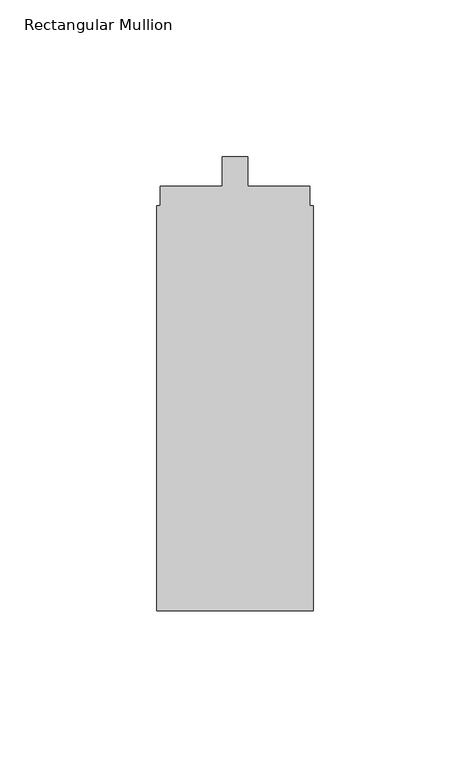
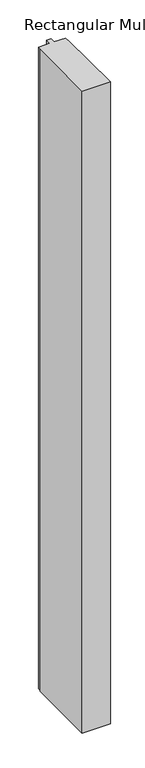
"""IFC4 building model written with IfcOpenShell, lengths in millimetres: member geometry, Rectangular Mullion."""

import ifcopenshell
import ifcopenshell.guid

model = None  # the IFC model being written
_history = None  # IfcOwnerHistory: only IFC2X3 demands one
_inside = {}  # id of a spatial element -> (the spatial element, [elements in it])
_under = {}  # id of a project, library or spatial element -> (it, [spatial elements below it])
_declared = {}  # id of a project -> (the project, [libraries it declares])
_typed = {}  # id of a type object -> (the type object, [elements of that type])
_made_of = {}  # id of a material, layer set ... -> (it, [elements and type objects made of it])


def new_model(schema):
    """Start an empty IFC model of exactly this schema.

    Asked for "IFC4X3", IfcOpenShell would pick the latest addendum, in which some entities
    have other attributes; the version numbers below select the first issue.
    IFC2X3 requires an IfcOwnerHistory on every rooted entity: one is made here for all.
    """
    global model, _history
    if schema == "IFC4X3":
        model = ifcopenshell.file(schema_version=(4, 3, 0, 0))
    else:
        model = ifcopenshell.file(schema=schema)
    _inside.clear()
    _under.clear()
    _declared.clear()
    _typed.clear()
    _made_of.clear()
    _history = None
    if model.schema == "IFC2X3":
        org = make("IfcOrganization", Name="unknown")
        user = make(
            "IfcPersonAndOrganization",
            ThePerson=make("IfcPerson", FamilyName="unknown"),
            TheOrganization=org,
        )
        app = make(
            "IfcApplication",
            ApplicationDeveloper=org,
            Version="unknown",
            ApplicationFullName="unknown",
            ApplicationIdentifier="unknown",
        )
        _history = make(
            "IfcOwnerHistory",
            OwningUser=user,
            OwningApplication=app,
            ChangeAction="ADDED",
            CreationDate=0,
        )
    return model


def make(cls, **values):
    """One entity of the class cls with the attributes given. An attribute that is None is left unset."""
    return model.create_entity(
        cls, **{name: value for name, value in values.items() if value is not None}
    )


def rooted(cls, **values):
    """An entity with a GlobalId (a new one), such as an element, a storey or a relation."""
    return make(cls, GlobalId=ifcopenshell.guid.new(), OwnerHistory=_history, **values)


def si_unit(unit_type, name, prefix=None):
    """IfcSIUnit, for example si_unit("LENGTHUNIT", "METRE", prefix="MILLI")."""
    return make("IfcSIUnit", UnitType=unit_type, Prefix=prefix, Name=name)


def assignment(units):
    """IfcUnitAssignment: the units of a project."""
    return None if units is None else make("IfcUnitAssignment", Units=units)


def point(xyz):
    """IfcCartesianPoint."""
    return None if xyz is None else make("IfcCartesianPoint", Coordinates=xyz)


def direction(xyz):
    """IfcDirection."""
    return None if xyz is None else make("IfcDirection", DirectionRatios=xyz)


def frame(location, z_axis=None, x_axis=None):
    """IfcAxis2Placement3D, a coordinate frame: its origin and axes. An axis left out is left unset."""
    return make(
        "IfcAxis2Placement3D",
        Location=point(location),
        Axis=direction(z_axis),
        RefDirection=direction(x_axis),
    )


def origin():
    """The frame at (0, 0, 0) with its axes left unset."""
    return frame((0.0, 0.0, 0.0))


def place(relative_to, where):
    """IfcLocalPlacement: puts the frame where relative to a parent placement (None: the world)."""
    return make(
        "IfcLocalPlacement", PlacementRelTo=relative_to, RelativePlacement=where
    )


def context(
    kind, dimensions, precision=None, world=None, true_north=None, identifier=None
):
    """IfcGeometricRepresentationContext, for example the 3D "Model" context."""
    return make(
        "IfcGeometricRepresentationContext",
        ContextIdentifier=identifier,
        ContextType=kind,
        CoordinateSpaceDimension=dimensions,
        Precision=precision,
        WorldCoordinateSystem=world,
        TrueNorth=true_north,
    )


def project(units=None, contexts=None):
    """IfcProject with its units and contexts."""
    return rooted(
        "IfcProject",
        Name="project",
        RepresentationContexts=contexts,
        UnitsInContext=assignment(units),
    )


def spatial(cls, under=None, at=None, **own):
    """A site, building, storey or space (cls), placed at a placement, below another one or the project."""
    s = rooted(cls, ObjectPlacement=at, **own)
    if under is not None:
        _under.setdefault(under.id(), (under, []))[1].append(s)
    return s


def polyline(points):
    """IfcPolyline through the points."""
    return make("IfcPolyline", Points=[point(p) for p in points])


def outline(outer, holes=None, kind="AREA"):
    """IfcArbitraryClosedProfileDef: a profile drawn as a closed curve; with holes, ...WithVoids."""
    if holes is None:
        return make("IfcArbitraryClosedProfileDef", ProfileType=kind, OuterCurve=outer)
    return make(
        "IfcArbitraryProfileDefWithVoids",
        ProfileType=kind,
        OuterCurve=outer,
        InnerCurves=holes,
    )


def extrude(swept, where, along, depth):
    """IfcExtrudedAreaSolid: the profile swept, set in the frame where, extruded along a direction by depth."""
    return make(
        "IfcExtrudedAreaSolid",
        SweptArea=swept,
        Position=where,
        ExtrudedDirection=direction(along),
        Depth=depth,
    )


def shape(context_of_items, identifier, shape_type, items):
    """IfcShapeRepresentation: the items that make up one representation, for example the "Body"."""
    return make(
        "IfcShapeRepresentation",
        ContextOfItems=context_of_items,
        RepresentationIdentifier=identifier,
        RepresentationType=shape_type,
        Items=items,
    )


def source(mapping_origin, context_of_items, identifier, shape_type, items):
    """IfcRepresentationMap: a shape defined once, which mapped items show again and again."""
    return make(
        "IfcRepresentationMap",
        MappingOrigin=mapping_origin,
        MappedRepresentation=shape(context_of_items, identifier, shape_type, items),
    )


def transform(
    local_origin,
    x_axis=None,
    y_axis=None,
    z_axis=None,
    scale=None,
    scale2=None,
    scale3=None,
    uniform=True,
):
    """IfcCartesianTransformationOperator3D, or its non-uniform kind. x_axis, y_axis, z_axis: its Axis1, 2, 3."""
    if uniform:
        return make(
            "IfcCartesianTransformationOperator3D",
            Axis1=direction(x_axis),
            Axis2=direction(y_axis),
            LocalOrigin=point(local_origin),
            Scale=scale,
            Axis3=direction(z_axis),
        )
    return make(
        "IfcCartesianTransformationOperator3DnonUniform",
        Axis1=direction(x_axis),
        Axis2=direction(y_axis),
        LocalOrigin=point(local_origin),
        Scale=scale,
        Axis3=direction(z_axis),
        Scale2=scale2,
        Scale3=scale3,
    )


def mapped(mapping_source, mapping_target):
    """IfcMappedItem: shows the shape of a source again, moved by a transform."""
    return make(
        "IfcMappedItem", MappingSource=mapping_source, MappingTarget=mapping_target
    )


def made_of(thing, what):
    """Note that an element or type object is made of a material, layer set ...; save() writes the relation."""
    if what is not None:
        _made_of.setdefault(what.id(), (what, []))[1].append(thing)
    return thing


def element(
    cls,
    number,
    at=None,
    inside=None,
    cuts=None,
    type_object=None,
    material=None,
    context=None,
    identifier="Body",
    shape_type=None,
    held_by="IfcProductDefinitionShape",
    body=None,
    shapes=None,
    **own,
):
    """One element of the class cls, such as IfcWall. Its Tag is "e" and its number.

    at: its placement. inside: the storey or other place that contains it. cuts: it is an
    opening in that element (IfcRelVoidsElement). A single representation is given by context,
    identifier, shape_type and body (its items); several are given by shapes. held_by: the class
    of the entity that holds the representations. save() writes the other relations.
    """
    e = rooted(cls, Tag="e%d" % number, ObjectPlacement=at, **own)
    if body is not None:
        shapes = [shape(context, identifier, shape_type, body)]
    if shapes is not None:
        e.Representation = make(held_by, Representations=shapes)
    if inside is not None:
        _inside.setdefault(inside.id(), (inside, []))[1].append(e)
    if cuts is not None:
        rooted(
            "IfcRelVoidsElement", RelatingBuildingElement=cuts, RelatedOpeningElement=e
        )
    if type_object is not None:
        _typed.setdefault(type_object.id(), (type_object, []))[1].append(e)
    return made_of(e, material)


def aggregate(whole, parts):
    """IfcRelAggregates: a whole, such as a stair, and the parts it consists of."""
    return rooted("IfcRelAggregates", RelatingObject=whole, RelatedObjects=parts)


def save(model, path):
    """Write the relations noted so far, then the file.

    IfcRelAggregates (storeys below a building ...), IfcRelContainedInSpatialStructure (elements
    in a storey), IfcRelDefinesByType, IfcRelAssociatesMaterial and IfcRelDeclares: one each for
    every whole, place, type object, material and project.
    """
    for whole, parts in _under.values():
        aggregate(whole, parts)
    for where, things in _inside.values():
        rooted(
            "IfcRelContainedInSpatialStructure",
            RelatedElements=things,
            RelatingStructure=where,
        )
    for kind, things in _typed.values():
        rooted("IfcRelDefinesByType", RelatedObjects=things, RelatingType=kind)
    for what, things in _made_of.values():
        rooted("IfcRelAssociatesMaterial", RelatedObjects=things, RelatingMaterial=what)
    for by, libraries in _declared.values():
        rooted("IfcRelDeclares", RelatingContext=by, RelatedDefinitions=libraries)
    model.write(path)


def rectangular_mullion_11ceb269(model_context):
    return source(origin(), model_context, "Body", "SweptSolid", [
        extrude(outline(polyline([(-50.0, -161.3), (-50.0, -32.0), (-48.8217337, -32.0), (-48.8217337, -25.8), (-29.1, -25.8), (-29.1, -16.3), (-20.9, -16.3), (-20.9, -25.8), (-1.1, -25.8), (-1.1, -32.0), (0.0, -32.0), (0.0, -161.3), (-50.0, -161.3)])), frame((0.0, 0.0, -1200.0), z_axis=(0.0, 0.0, 1.0), x_axis=(1.0, 0.0, 0.0)), (0.0, 0.0, 1.0), 1200.0),
    ])


if __name__ == "__main__":
    model = new_model("IFC4")
    model_context = context("Model", 3, world=origin())
    ifc_project = project(units=[si_unit("LENGTHUNIT", "METRE", prefix="MILLI")], contexts=[model_context])
    site = spatial("IfcSite", under=ifc_project)
    building = spatial("IfcBuilding", under=site)
    placement = place(None, origin())
    rectangular_mullion_shape = rectangular_mullion_11ceb269(model_context)
    element("IfcMember", 1, ObjectType="Rectangular Mullion", at=placement, inside=building, context=model_context, shape_type="MappedRepresentation", body=[
        mapped(rectangular_mullion_shape, transform((0.0, 0.0, 0.0), x_axis=(1.0, 0.0, 0.0), y_axis=(0.0, 1.0, 0.0), z_axis=(0.0, 0.0, 1.0))),
    ])
    save(model, "model.ifc")
